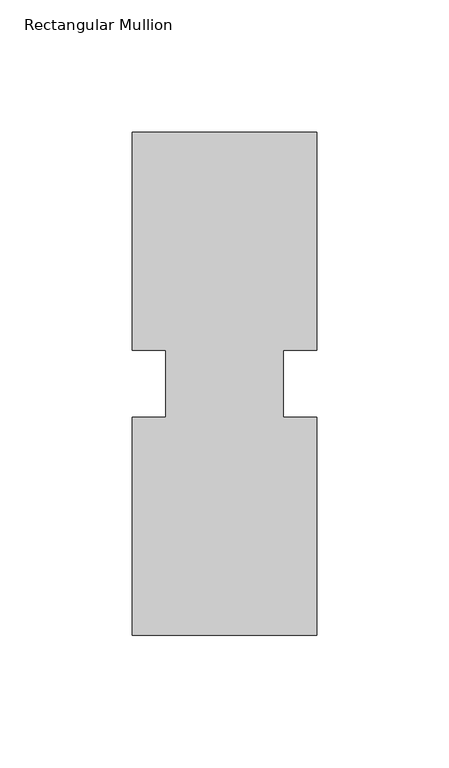
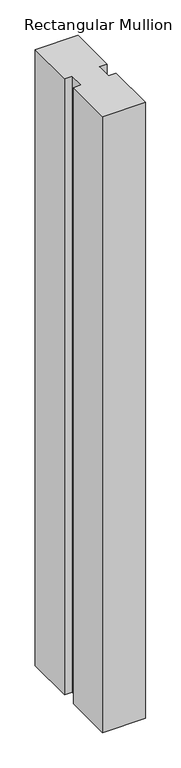
"""IFC4 building model written with IfcOpenShell, lengths in millimetres: member geometry, Rectangular Mullion."""

from ifc_helpers import new_model, si_unit, frame, origin, place, context, project, spatial, polyline, outline, extrude, source, transform, mapped, element, save


def rectangular_mullion_65e246b1(model_context):
    return source(origin(), model_context, "Body", "SweptSolid", [
        extrude(outline(polyline([(39.2594027, 95.25), (39.2594027, 12.7), (26.5576322, 12.7), (26.5576322, -12.7), (39.2594027, -12.7), (39.2594027, -95.25), (-30.5905973, -95.25), (-30.5905973, -12.7), (-17.8905973, -12.7), (-17.8905973, 12.7), (-30.5905973, 12.7), (-30.5905973, 95.25), (39.2594027, 95.25)])), frame((0.0, 0.0, -1062.4655973), z_axis=(0.0, 0.0, 1.0), x_axis=(1.0, 0.0, 0.0)), (0.0, 0.0, 1.0), 1062.4655973),
    ])


if __name__ == "__main__":
    model = new_model("IFC4")
    model_context = context("Model", 3, world=origin())
    ifc_project = project(units=[si_unit("LENGTHUNIT", "METRE", prefix="MILLI")], contexts=[model_context])
    site = spatial("IfcSite", under=ifc_project)
    building = spatial("IfcBuilding", under=site)
    placement = place(None, origin())
    rectangular_mullion_shape = rectangular_mullion_65e246b1(model_context)
    element("IfcMember", 1, ObjectType="Rectangular Mullion", at=placement, inside=building, context=model_context, shape_type="MappedRepresentation", body=[
        mapped(rectangular_mullion_shape, transform((0.0, 0.0, 0.0), x_axis=(1.0, 0.0, 0.0), y_axis=(0.0, 1.0, 0.0), z_axis=(0.0, 0.0, 1.0))),
    ])
    save(model, "model.ifc")
